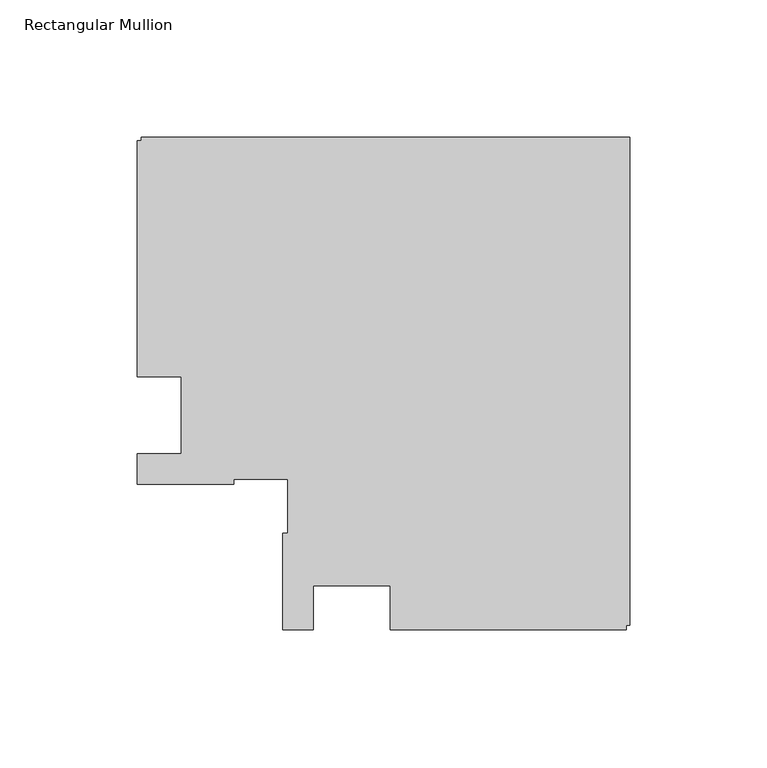
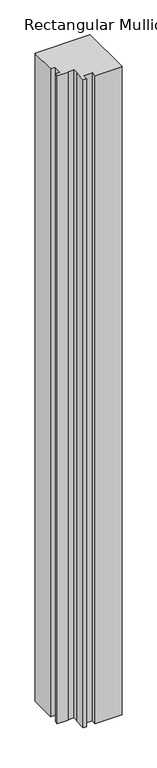
"""IFC4 building model written with IfcOpenShell, lengths in millimetres: member geometry, Rectangular Mullion."""

from ifc_helpers import new_model, si_unit, frame, origin, place, context, project, spatial, polyline, outline, extrude, source, transform, mapped, element, save


def rectangular_mullion_838e666c(model_context):
    return source(origin(), model_context, "Body", "SweptSolid", [
        extrude(outline(polyline([(-179.1817613, 13.9960563), (-179.1817613, 100.0001107), (-177.7039408, 100.0001107), (-177.7039408, 101.2001107), (0.0, 101.2001107), (0.0, -76.4884533), (-1.2039451, -76.4884533), (-1.2039451, -77.9816506), (-87.2040012, -77.9816506), (-87.2040012, -61.9816243), (-115.2040012, -61.9816243), (-115.2040012, -77.9816506), (-126.2039451, -77.9816506), (-126.2039451, -42.9816243), (-124.518731, -42.9816243), (-124.518731, -23.3186203), (-144.1817351, -23.3186203), (-144.1817351, -25.0038344), (-179.1817351, -25.0038344), (-179.1817351, -14.0038344), (-163.1817351, -14.0038344), (-163.1817351, 13.9960563), (-179.1817613, 13.9960563)])), frame((0.0, 0.0, -2211.2021929), z_axis=(0.0, 0.0, 1.0), x_axis=(1.0, 0.0, 0.0)), (0.0, 0.0, 1.0), 2211.2021929),
    ])


if __name__ == "__main__":
    model = new_model("IFC4")
    model_context = context("Model", 3, world=origin())
    ifc_project = project(units=[si_unit("LENGTHUNIT", "METRE", prefix="MILLI")], contexts=[model_context])
    site = spatial("IfcSite", under=ifc_project)
    building = spatial("IfcBuilding", under=site)
    placement = place(None, origin())
    rectangular_mullion_shape = rectangular_mullion_838e666c(model_context)
    element("IfcMember", 1, ObjectType="Rectangular Mullion", at=placement, inside=building, context=model_context, shape_type="MappedRepresentation", body=[
        mapped(rectangular_mullion_shape, transform((0.0, 0.0, 0.0), x_axis=(1.0, 0.0, 0.0), y_axis=(0.0, 1.0, 0.0), z_axis=(0.0, 0.0, 1.0))),
    ])
    save(model, "model.ifc")
